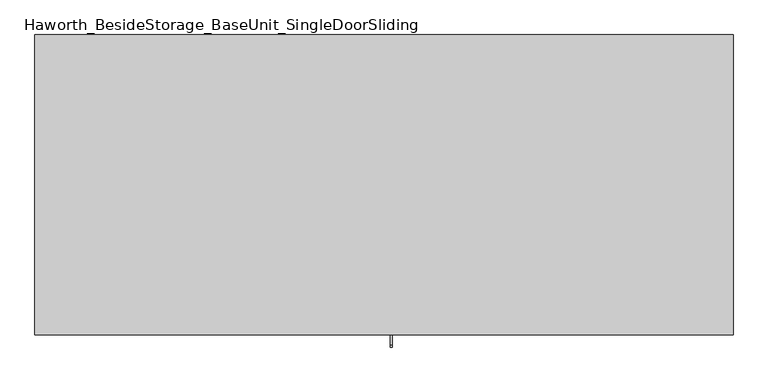
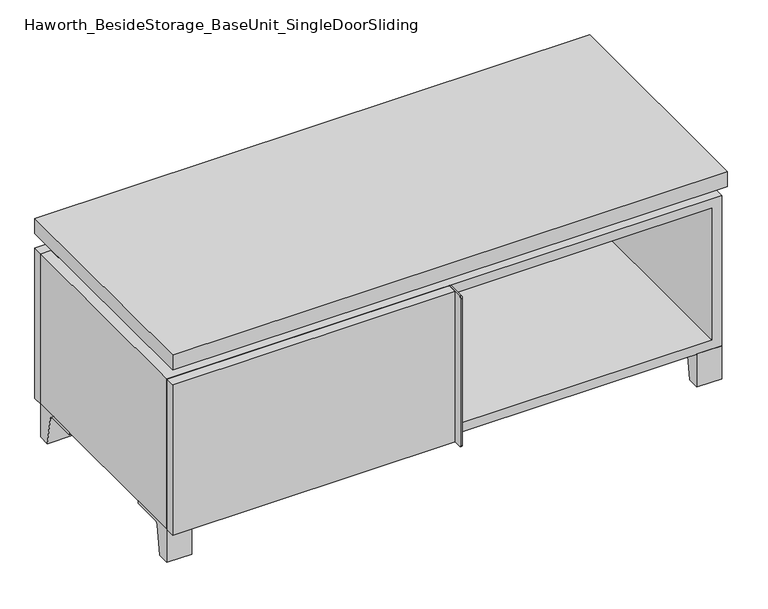
"""IFC4 building model written with IfcOpenShell, lengths in millimetres: furniture geometry, Haworth_BesideStorage_BaseUnit_SingleDoorSliding."""

from ifc_helpers import new_model, si_unit, point, frame, frame_2d, origin, place, context, project, spatial, polyline, circle_curve, trimmed, segment, composite_curve, outline, extrude, faceted_brep, source, transform, mapped, element, save


def haworth_besidestorage_baseunit_singledoorsliding_8d31fd5c(model_context):
    return source(origin(), model_context, "Body", "SolidModel", [
        extrude(outline(composite_curve([segment(polyline([(-123.2958469, 0.0), (-146.05, 0.0), (-146.05, 66.675), (-50.8, 66.675), (-50.8, 61.8963321), (-107.6005345, 61.8963321)]), True, "CONTINUOUS"), segment(trimmed(circle_curve(frame_2d((-107.6005345, 55.5463321)), 6.35), [point((-107.6005345, 61.8963321))], [point((-113.8641359, 56.5902656))], True, "CARTESIAN"), True, "CONTINUOUS"), segment(polyline([(-113.8641359, 56.5902656), (-123.2958469, 0.0)]), True, "CONTINUOUS")], self_intersect=False)), frame((484.2013906, 0.0, 0.0), z_axis=(1.0, 0.0, 0.0), x_axis=(0.0, 1.0, 0.0)), (0.0, 0.0, 1.0), 47.625),
        extrude(outline(composite_curve([segment(polyline([(250.2958469, 0.0), (240.8641359, 56.5902656)]), True, "CONTINUOUS"), segment(trimmed(circle_curve(frame_2d((234.6005345, 55.5463321)), 6.35), [point((240.8641359, 56.5902656))], [point((234.6005345, 61.8963321))], True, "CARTESIAN"), True, "CONTINUOUS"), segment(polyline([(234.6005345, 61.8963321), (177.8, 61.8963321), (177.8, 66.675), (273.05, 66.675), (273.05, 0.0), (250.2958469, 0.0)]), True, "CONTINUOUS")], self_intersect=False)), frame((484.2013906, 0.0, 0.0), z_axis=(1.0, 0.0, 0.0), x_axis=(0.0, 1.0, 0.0)), (0.0, 0.0, 1.0), 47.625),
        extrude(outline(composite_curve([segment(polyline([(-123.2958469, 0.0), (-146.05, 0.0), (-146.05, 66.675), (-50.8, 66.675), (-50.8, 61.8963321), (-107.6005345, 61.8963321)]), True, "CONTINUOUS"), segment(trimmed(circle_curve(frame_2d((-107.6005345, 55.5463321)), 6.35), [point((-107.6005345, 61.8963321))], [point((-113.8641359, 56.5902656))], True, "CARTESIAN"), True, "CONTINUOUS"), segment(polyline([(-113.8641359, 56.5902656), (-123.2958469, 0.0)]), True, "CONTINUOUS")], self_intersect=False)), frame((-531.7986094, 0.0, 0.0), z_axis=(1.0, 0.0, 0.0), x_axis=(0.0, 1.0, 0.0)), (0.0, 0.0, 1.0), 47.625),
        extrude(outline(composite_curve([segment(polyline([(250.2958469, 0.0), (240.8641359, 56.5902656)]), True, "CONTINUOUS"), segment(trimmed(circle_curve(frame_2d((234.6005345, 55.5463321)), 6.35), [point((240.8641359, 56.5902656))], [point((234.6005345, 61.8963321))], True, "CARTESIAN"), True, "CONTINUOUS"), segment(polyline([(234.6005345, 61.8963321), (177.8, 61.8963321), (177.8, 66.675), (273.05, 66.675), (273.05, 0.0), (250.2958469, 0.0)]), True, "CONTINUOUS")], self_intersect=False)), frame((-531.7986094, 0.0, 0.0), z_axis=(1.0, 0.0, 0.0), x_axis=(0.0, 1.0, 0.0)), (0.0, 0.0, 1.0), 47.625),
        faceted_brep([(-531.7986094, -146.05, 66.675), (531.8125, -146.05, 66.675), (531.8125, -146.05, 371.475), (-531.7986094, -146.05, 371.475), (-512.7486094, -146.05, 85.725), (-512.7486094, -146.05, 352.425), (512.7694453, -146.05, 352.425), (512.7486094, -146.05, 85.725), (-531.7986094, 273.05, 66.675), (-531.7986094, 273.05, 371.475), (-512.7486094, 273.05, 371.475), (-512.7486094, 273.05, 85.725), (512.7486094, 273.05, 85.725), (512.7486094, 273.05, 371.475), (531.8125, 273.05, 371.475), (531.8125, 273.05, 66.675), (512.7486094, 247.65, 371.475), (-512.7416641, 247.65, 371.475), (-512.7486094, 247.65, 352.425), (512.7486094, 247.65, 352.425)], [[[0, 1, 2, 3], [4, 5, 6, 7]], [[8, 9, 10, 11, 12, 13, 14, 15]], [[1, 0, 8, 15]], [[2, 1, 15, 14]], [[3, 2, 14, 13, 16, 17, 10, 9]], [[0, 3, 9, 8]], [[11, 10, 17, 18, 5, 4]], [[13, 12, 7, 6, 19, 16]], [[4, 7, 12, 11]], [[6, 5, 18, 19]], [[17, 16, 19, 18]]]),
        extrude(outline(polyline([(531.8263906, -165.1), (-531.7986094, -165.1), (-531.7986094, 292.1), (531.8263906, 292.1), (531.8263906, -165.1)])), frame((0.0, 0.0, 401.6375), z_axis=(0.0, 0.0, 1.0), x_axis=(1.0, 0.0, 0.0)), (0.0, 0.0, 1.0), 30.1625),
        faceted_brep([(7.9513906, -69.85, 401.6375), (7.9513906, -69.85, 371.475), (7.9513906, 53.975, 371.475), (7.9513906, 53.975, 401.6375), (7.9513906, 196.85, 371.475), (7.9513906, 196.85, 401.6375), (7.9513906, 73.025, 401.6375), (7.9513906, 73.025, 371.475), (-7.9236094, 196.85, 401.6375), (-7.9236094, 196.85, 371.475), (-7.9236094, 73.025, 371.475), (-7.9236094, 73.025, 401.6375), (-7.9236094, -69.85, 371.475), (-7.9236094, -69.85, 401.6375), (-7.9236094, 53.975, 401.6375), (-7.9236094, 53.975, 371.475), (-490.4958281, 73.025, 401.6375), (-490.5166641, 247.65, 401.6375), (-506.3916641, 247.65, 401.6375), (-506.3916641, -120.65, 401.6375), (-490.5166641, -120.65, 401.6375), (-490.5166641, 53.975, 401.6375), (490.5236094, 53.975, 401.6375), (490.5236094, -120.65, 401.6375), (506.3986094, -120.65, 401.6375), (506.3986094, 247.65, 401.6375), (490.5236094, 247.65, 401.6375), (490.5236094, 73.025, 401.6375), (-490.4958281, 53.975, 371.475), (-490.5166641, -120.65, 371.475), (-506.3916641, -120.65, 371.475), (-506.3916641, 247.65, 371.475), (-490.5166641, 247.65, 371.475), (-490.5166641, 73.025, 371.475), (490.5236094, 73.025, 371.475), (490.5236094, 247.65, 371.475), (506.3986094, 247.65, 371.475), (506.3986094, -120.65, 371.475), (490.5236094, -120.65, 371.475), (490.5236094, 53.975, 371.475)], [[[0, 1, 2, 3]], [[4, 5, 6, 7]], [[8, 9, 10, 11]], [[12, 13, 14, 15]], [[5, 8, 11, 16, 17, 18, 19, 20, 21, 14, 13, 0, 3, 22, 23, 24, 25, 26, 27, 6]], [[1, 12, 15, 28, 29, 30, 31, 32, 33, 10, 9, 4, 7, 34, 35, 36, 37, 38, 39, 2]], [[5, 4, 9, 8]], [[1, 0, 13, 12]], [[6, 27, 34, 7]], [[22, 3, 2, 39]], [[20, 29, 28, 21]], [[32, 17, 16, 33]], [[18, 31, 30, 19]], [[29, 20, 19, 30]], [[17, 32, 31, 18]], [[26, 35, 34, 27]], [[38, 23, 22, 39]], [[25, 24, 37, 36]], [[23, 38, 37, 24]], [[35, 26, 25, 36]], [[16, 11, 10, 33]], [[14, 21, 28, 15]]]),
        extrude(outline(polyline([(9.5388906, 203.2), (9.5388906, -146.05), (-9.5111094, -146.05), (-9.5111094, 203.2), (9.5388906, 203.2)])), frame((0.0, 0.0, 85.725), z_axis=(0.0, 0.0, 1.0), x_axis=(1.0, 0.0, 0.0)), (0.0, 0.0, 1.0), 266.7),
        extrude(outline(polyline([(531.8263906, 273.05), (-531.7986094, 273.05), (-531.7986094, 292.1), (531.8263906, 292.1), (531.8263906, 273.05)])), frame((0.0, 0.0, 66.675), z_axis=(0.0, 0.0, 1.0), x_axis=(1.0, 0.0, 0.0)), (0.0, 0.0, 1.0), 304.8),
        extrude(outline(polyline([(-512.7416641, 203.2), (-512.7416641, 209.55), (512.7694453, 209.55), (512.7694453, 203.2), (-512.7416641, 203.2)])), frame((0.0, 0.0, 85.725), z_axis=(0.0, 0.0, 1.0), x_axis=(1.0, 0.0, 0.0)), (0.0, 0.0, 1.0), 266.7),
        extrude(outline(composite_curve([segment(polyline([(-146.05, 371.475), (-146.05, 66.675), (-180.975, 66.675)]), True, "CONTINUOUS"), segment(trimmed(circle_curve(frame_2d((-180.975, 69.85)), 3.175), [point((-180.975, 66.675))], [point((-184.15, 69.85))], False, "CARTESIAN"), True, "CONTINUOUS"), segment(polyline([(-184.15, 69.85), (-184.15, 368.3)]), True, "CONTINUOUS"), segment(trimmed(circle_curve(frame_2d((-180.975, 368.3)), 3.175), [point((-184.15, 368.3))], [point((-180.975, 371.475))], False, "CARTESIAN"), True, "CONTINUOUS"), segment(polyline([(-180.975, 371.475), (-146.05, 371.475)]), True, "CONTINUOUS")], self_intersect=False)), frame((9.5388906, 0.0, 0.0), z_axis=(1.0, 0.0, 0.0), x_axis=(0.0, 1.0, 0.0)), (0.0, 0.0, 1.0), 3.175),
        extrude(outline(polyline([(-531.7986094, -146.05), (9.5388906, -146.05), (9.5388906, -165.1), (-531.7986094, -165.1), (-531.7986094, -146.05)])), frame((0.0, 0.0, 66.675), z_axis=(0.0, 0.0, 1.0), x_axis=(1.0, 0.0, 0.0)), (0.0, 0.0, 1.0), 304.8),
    ])


if __name__ == "__main__":
    model = new_model("IFC4")
    model_context = context("Model", 3, world=origin())
    ifc_project = project(units=[si_unit("LENGTHUNIT", "METRE", prefix="MILLI")], contexts=[model_context])
    site = spatial("IfcSite", under=ifc_project)
    building = spatial("IfcBuilding", under=site)
    placement = place(None, origin())
    haworth_besidestorage_baseunit_singledoorsliding_shape = haworth_besidestorage_baseunit_singledoorsliding_8d31fd5c(model_context)
    element("IfcFurniture", 1, ObjectType="Haworth_BesideStorage_BaseUnit_SingleDoorSliding", at=placement, inside=building, context=model_context, shape_type="MappedRepresentation", body=[
        mapped(haworth_besidestorage_baseunit_singledoorsliding_shape, transform((0.0, 0.0, 0.0), x_axis=(1.0, 0.0, 0.0), y_axis=(0.0, 1.0, 0.0), z_axis=(0.0, 0.0, 1.0))),
    ])
    save(model, "model.ifc")
